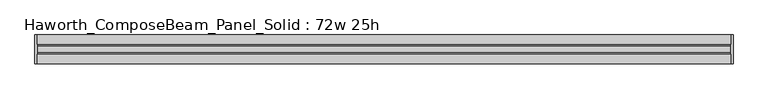
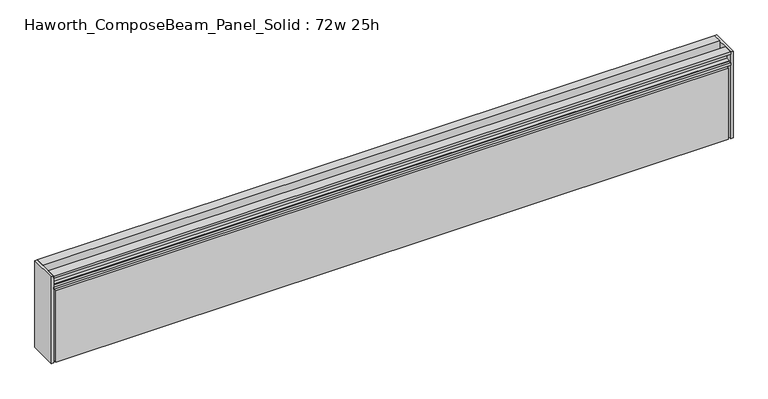
"""IFC4 building model written with IfcOpenShell, lengths in millimetres: furniture geometry, Haworth_ComposeBeam_Panel_Solid : 72w 25h."""

from ifc_helpers import new_model, si_unit, frame, origin, place, context, project, spatial, polyline, outline, extrude, source, transform, mapped, element, save


def haworth_composebeam_panel_solid_72w_25h_d9f82332(model_context):
    return source(origin(), model_context, "Body", "SweptSolid", [
        extrude(outline(polyline([(38.1, 673.1), (30.6197, 673.1), (30.6197, 670.8139719), (19.6976996, 670.8139719), (19.6976996, 649.9860281), (30.6197, 649.9860281), (30.6197, 647.7), (38.0999989, 647.7), (38.0999989, 641.35), (-38.1000011, 641.35), (-38.1000011, 647.7), (-30.6197023, 647.7), (-30.6197023, 649.9860281), (-19.6977019, 649.9860281), (-19.6977019, 670.8139719), (-30.6197023, 670.8139719), (-30.6197023, 673.1), (-38.1000023, 673.1), (-38.1000023, 679.45), (-13.5001026, 679.45), (-13.5001026, 657.6828071), (-8.7648498, 647.7), (8.7648475, 647.7), (13.5001003, 657.6828071), (13.5001003, 679.45), (38.1, 679.45), (38.1, 673.1)])), frame((-911.9597098, 0.0, 0.0), z_axis=(1.0, 0.0, 0.0), x_axis=(0.0, 1.0, 0.0)), (0.0, 0.0, 1.0), 1828.8),
        extrude(outline(polyline([(923.1902902, -38.1), (916.8402902, -38.1), (916.8402902, 38.1), (923.1902902, 38.1), (923.1902902, -38.1)])), frame((0.0, 0.0, 431.8), z_axis=(0.0, 0.0, 1.0), x_axis=(1.0, 0.0, 0.0)), (0.0, 0.0, 1.0), 247.65),
        extrude(outline(polyline([(-911.9597098, -38.1), (-918.3097098, -38.1), (-918.3097098, 38.1), (-911.9597098, 38.1), (-911.9597098, -38.1)])), frame((0.0, 0.0, 431.8), z_axis=(0.0, 0.0, 1.0), x_axis=(1.0, 0.0, 0.0)), (0.0, 0.0, 1.0), 247.65),
        extrude(outline(polyline([(916.8402902, 25.4), (916.8402902, -25.4), (-911.9597098, -25.4), (-911.9597098, 25.4), (916.8402902, 25.4)])), frame((0.0, 0.0, 431.8), z_axis=(0.0, 0.0, 1.0), x_axis=(1.0, 0.0, 0.0)), (0.0, 0.0, 1.0), 209.55),
        extrude(outline(polyline([(-905.6097098, 25.4), (-905.6097098, 38.1), (910.4902902, 38.1), (910.4902902, 25.4), (-905.6097098, 25.4)])), frame((0.0, 0.0, 431.8), z_axis=(0.0, 0.0, 1.0), x_axis=(1.0, 0.0, 0.0)), (0.0, 0.0, 1.0), 203.2),
        extrude(outline(polyline([(-905.6097098, -38.1), (-905.6097098, -25.4), (910.4902902, -25.4), (910.4902902, -38.1), (-905.6097098, -38.1)])), frame((0.0, 0.0, 431.8), z_axis=(0.0, 0.0, 1.0), x_axis=(1.0, 0.0, 0.0)), (0.0, 0.0, 1.0), 203.2),
    ])


if __name__ == "__main__":
    model = new_model("IFC4")
    model_context = context("Model", 3, world=origin())
    ifc_project = project(units=[si_unit("LENGTHUNIT", "METRE", prefix="MILLI")], contexts=[model_context])
    site = spatial("IfcSite", under=ifc_project)
    building = spatial("IfcBuilding", under=site)
    placement = place(None, origin())
    haworth_composebeam_panel_solid_72w_25h_shape = haworth_composebeam_panel_solid_72w_25h_d9f82332(model_context)
    element("IfcFurniture", 1, ObjectType="Haworth_ComposeBeam_Panel_Solid : 72w 25h", at=placement, inside=building, context=model_context, shape_type="MappedRepresentation", body=[
        mapped(haworth_composebeam_panel_solid_72w_25h_shape, transform((0.0, 0.0, 0.0), x_axis=(1.0, 0.0, 0.0), y_axis=(0.0, 1.0, 0.0), z_axis=(0.0, 0.0, 1.0))),
    ])
    save(model, "model.ifc")
